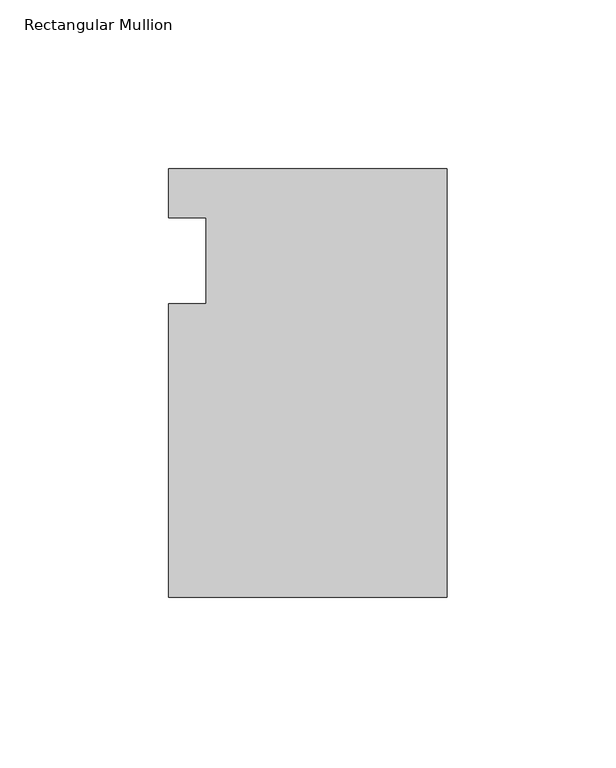
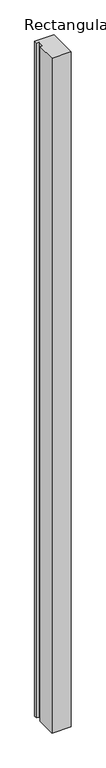
"""IFC4 building model written with IfcOpenShell, lengths in millimetres: member geometry, Rectangular Mullion."""

from ifc_helpers import new_model, si_unit, frame, origin, place, context, project, spatial, polyline, outline, extrude, source, transform, mapped, element, save


def rectangular_mullion_241604e7(model_context):
    return source(origin(), model_context, "Body", "SweptSolid", [
        extrude(outline(polyline([(0.0, -66.247162), (-82.55, -66.247162), (-82.55, 20.8314429), (-71.4375, 20.8314429), (-71.4375, 46.2552434), (-82.55, 46.2552434), (-82.55, 60.7587684), (0.0, 60.7587684), (0.0, -66.247162)])), frame((0.0, 0.0, -3048.0), z_axis=(0.0, 0.0, 1.0), x_axis=(1.0, 0.0, 0.0)), (0.0, 0.0, 1.0), 3048.0),
    ])


if __name__ == "__main__":
    model = new_model("IFC4")
    model_context = context("Model", 3, world=origin())
    ifc_project = project(units=[si_unit("LENGTHUNIT", "METRE", prefix="MILLI")], contexts=[model_context])
    site = spatial("IfcSite", under=ifc_project)
    building = spatial("IfcBuilding", under=site)
    placement = place(None, origin())
    rectangular_mullion_shape = rectangular_mullion_241604e7(model_context)
    element("IfcMember", 1, ObjectType="Rectangular Mullion", at=placement, inside=building, context=model_context, shape_type="MappedRepresentation", body=[
        mapped(rectangular_mullion_shape, transform((0.0, 0.0, 0.0), x_axis=(1.0, 0.0, 0.0), y_axis=(0.0, 1.0, 0.0), z_axis=(0.0, 0.0, 1.0))),
    ])
    save(model, "model.ifc")
